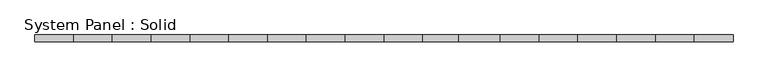
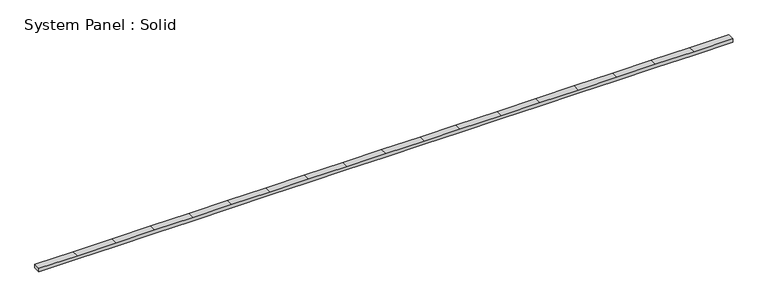
"""IFC4 building model written with IfcOpenShell, lengths in millimetres: plate geometry, System Panel : Solid."""

import ifcopenshell
import ifcopenshell.guid

model = None  # the IFC model being written
_history = None  # IfcOwnerHistory: only IFC2X3 demands one
_inside = {}  # id of a spatial element -> (the spatial element, [elements in it])
_under = {}  # id of a project, library or spatial element -> (it, [spatial elements below it])
_declared = {}  # id of a project -> (the project, [libraries it declares])
_typed = {}  # id of a type object -> (the type object, [elements of that type])
_made_of = {}  # id of a material, layer set ... -> (it, [elements and type objects made of it])


def new_model(schema):
    """Start an empty IFC model of exactly this schema.

    Asked for "IFC4X3", IfcOpenShell would pick the latest addendum, in which some entities
    have other attributes; the version numbers below select the first issue.
    IFC2X3 requires an IfcOwnerHistory on every rooted entity: one is made here for all.
    """
    global model, _history
    if schema == "IFC4X3":
        model = ifcopenshell.file(schema_version=(4, 3, 0, 0))
    else:
        model = ifcopenshell.file(schema=schema)
    _inside.clear()
    _under.clear()
    _declared.clear()
    _typed.clear()
    _made_of.clear()
    _history = None
    if model.schema == "IFC2X3":
        org = make("IfcOrganization", Name="unknown")
        user = make(
            "IfcPersonAndOrganization",
            ThePerson=make("IfcPerson", FamilyName="unknown"),
            TheOrganization=org,
        )
        app = make(
            "IfcApplication",
            ApplicationDeveloper=org,
            Version="unknown",
            ApplicationFullName="unknown",
            ApplicationIdentifier="unknown",
        )
        _history = make(
            "IfcOwnerHistory",
            OwningUser=user,
            OwningApplication=app,
            ChangeAction="ADDED",
            CreationDate=0,
        )
    return model


def make(cls, **values):
    """One entity of the class cls with the attributes given. An attribute that is None is left unset."""
    return model.create_entity(
        cls, **{name: value for name, value in values.items() if value is not None}
    )


def rooted(cls, **values):
    """An entity with a GlobalId (a new one), such as an element, a storey or a relation."""
    return make(cls, GlobalId=ifcopenshell.guid.new(), OwnerHistory=_history, **values)


def si_unit(unit_type, name, prefix=None):
    """IfcSIUnit, for example si_unit("LENGTHUNIT", "METRE", prefix="MILLI")."""
    return make("IfcSIUnit", UnitType=unit_type, Prefix=prefix, Name=name)


def assignment(units):
    """IfcUnitAssignment: the units of a project."""
    return None if units is None else make("IfcUnitAssignment", Units=units)


def point(xyz):
    """IfcCartesianPoint."""
    return None if xyz is None else make("IfcCartesianPoint", Coordinates=xyz)


def direction(xyz):
    """IfcDirection."""
    return None if xyz is None else make("IfcDirection", DirectionRatios=xyz)


def frame(location, z_axis=None, x_axis=None):
    """IfcAxis2Placement3D, a coordinate frame: its origin and axes. An axis left out is left unset."""
    return make(
        "IfcAxis2Placement3D",
        Location=point(location),
        Axis=direction(z_axis),
        RefDirection=direction(x_axis),
    )


def origin():
    """The frame at (0, 0, 0) with its axes left unset."""
    return frame((0.0, 0.0, 0.0))


def place(relative_to, where):
    """IfcLocalPlacement: puts the frame where relative to a parent placement (None: the world)."""
    return make(
        "IfcLocalPlacement", PlacementRelTo=relative_to, RelativePlacement=where
    )


def context(
    kind, dimensions, precision=None, world=None, true_north=None, identifier=None
):
    """IfcGeometricRepresentationContext, for example the 3D "Model" context."""
    return make(
        "IfcGeometricRepresentationContext",
        ContextIdentifier=identifier,
        ContextType=kind,
        CoordinateSpaceDimension=dimensions,
        Precision=precision,
        WorldCoordinateSystem=world,
        TrueNorth=true_north,
    )


def project(units=None, contexts=None):
    """IfcProject with its units and contexts."""
    return rooted(
        "IfcProject",
        Name="project",
        RepresentationContexts=contexts,
        UnitsInContext=assignment(units),
    )


def spatial(cls, under=None, at=None, **own):
    """A site, building, storey or space (cls), placed at a placement, below another one or the project."""
    s = rooted(cls, ObjectPlacement=at, **own)
    if under is not None:
        _under.setdefault(under.id(), (under, []))[1].append(s)
    return s


def polyline(points):
    """IfcPolyline through the points."""
    return make("IfcPolyline", Points=[point(p) for p in points])


def outline(outer, holes=None, kind="AREA"):
    """IfcArbitraryClosedProfileDef: a profile drawn as a closed curve; with holes, ...WithVoids."""
    if holes is None:
        return make("IfcArbitraryClosedProfileDef", ProfileType=kind, OuterCurve=outer)
    return make(
        "IfcArbitraryProfileDefWithVoids",
        ProfileType=kind,
        OuterCurve=outer,
        InnerCurves=holes,
    )


def extrude(swept, where, along, depth):
    """IfcExtrudedAreaSolid: the profile swept, set in the frame where, extruded along a direction by depth."""
    return make(
        "IfcExtrudedAreaSolid",
        SweptArea=swept,
        Position=where,
        ExtrudedDirection=direction(along),
        Depth=depth,
    )


def shape(context_of_items, identifier, shape_type, items):
    """IfcShapeRepresentation: the items that make up one representation, for example the "Body"."""
    return make(
        "IfcShapeRepresentation",
        ContextOfItems=context_of_items,
        RepresentationIdentifier=identifier,
        RepresentationType=shape_type,
        Items=items,
    )


def source(mapping_origin, context_of_items, identifier, shape_type, items):
    """IfcRepresentationMap: a shape defined once, which mapped items show again and again."""
    return make(
        "IfcRepresentationMap",
        MappingOrigin=mapping_origin,
        MappedRepresentation=shape(context_of_items, identifier, shape_type, items),
    )


def transform(
    local_origin,
    x_axis=None,
    y_axis=None,
    z_axis=None,
    scale=None,
    scale2=None,
    scale3=None,
    uniform=True,
):
    """IfcCartesianTransformationOperator3D, or its non-uniform kind. x_axis, y_axis, z_axis: its Axis1, 2, 3."""
    if uniform:
        return make(
            "IfcCartesianTransformationOperator3D",
            Axis1=direction(x_axis),
            Axis2=direction(y_axis),
            LocalOrigin=point(local_origin),
            Scale=scale,
            Axis3=direction(z_axis),
        )
    return make(
        "IfcCartesianTransformationOperator3DnonUniform",
        Axis1=direction(x_axis),
        Axis2=direction(y_axis),
        LocalOrigin=point(local_origin),
        Scale=scale,
        Axis3=direction(z_axis),
        Scale2=scale2,
        Scale3=scale3,
    )


def mapped(mapping_source, mapping_target):
    """IfcMappedItem: shows the shape of a source again, moved by a transform."""
    return make(
        "IfcMappedItem", MappingSource=mapping_source, MappingTarget=mapping_target
    )


def made_of(thing, what):
    """Note that an element or type object is made of a material, layer set ...; save() writes the relation."""
    if what is not None:
        _made_of.setdefault(what.id(), (what, []))[1].append(thing)
    return thing


def element(
    cls,
    number,
    at=None,
    inside=None,
    cuts=None,
    type_object=None,
    material=None,
    context=None,
    identifier="Body",
    shape_type=None,
    held_by="IfcProductDefinitionShape",
    body=None,
    shapes=None,
    **own,
):
    """One element of the class cls, such as IfcWall. Its Tag is "e" and its number.

    at: its placement. inside: the storey or other place that contains it. cuts: it is an
    opening in that element (IfcRelVoidsElement). A single representation is given by context,
    identifier, shape_type and body (its items); several are given by shapes. held_by: the class
    of the entity that holds the representations. save() writes the other relations.
    """
    e = rooted(cls, Tag="e%d" % number, ObjectPlacement=at, **own)
    if body is not None:
        shapes = [shape(context, identifier, shape_type, body)]
    if shapes is not None:
        e.Representation = make(held_by, Representations=shapes)
    if inside is not None:
        _inside.setdefault(inside.id(), (inside, []))[1].append(e)
    if cuts is not None:
        rooted(
            "IfcRelVoidsElement", RelatingBuildingElement=cuts, RelatedOpeningElement=e
        )
    if type_object is not None:
        _typed.setdefault(type_object.id(), (type_object, []))[1].append(e)
    return made_of(e, material)


def aggregate(whole, parts):
    """IfcRelAggregates: a whole, such as a stair, and the parts it consists of."""
    return rooted("IfcRelAggregates", RelatingObject=whole, RelatedObjects=parts)


def save(model, path):
    """Write the relations noted so far, then the file.

    IfcRelAggregates (storeys below a building ...), IfcRelContainedInSpatialStructure (elements
    in a storey), IfcRelDefinesByType, IfcRelAssociatesMaterial and IfcRelDeclares: one each for
    every whole, place, type object, material and project.
    """
    for whole, parts in _under.values():
        aggregate(whole, parts)
    for where, things in _inside.values():
        rooted(
            "IfcRelContainedInSpatialStructure",
            RelatedElements=things,
            RelatingStructure=where,
        )
    for kind, things in _typed.values():
        rooted("IfcRelDefinesByType", RelatedObjects=things, RelatingType=kind)
    for what, things in _made_of.values():
        rooted("IfcRelAssociatesMaterial", RelatedObjects=things, RelatingMaterial=what)
    for by, libraries in _declared.values():
        rooted("IfcRelDeclares", RelatingContext=by, RelatedDefinitions=libraries)
    model.write(path)


def system_panel_solid_0d85270d(model_context):
    return source(origin(), model_context, "Body", "SweptSolid", [
        extrude(outline(polyline([(0.0, -4950.0000002), (0.0, -4399.9999998), (0.0, -3849.9999998), (0.0, -3299.9999998), (0.0, -2749.9999998), (0.0, -2199.9999998), (0.0, -1649.9999998), (0.0, -1099.9999998), (0.0, -549.9999998), (0.0, 2e-07), (0.0, 550.0000002), (0.0, 1060.0000002), (0.0, 1650.0000002), (0.0, 2200.0000002), (0.0, 2750.0000002), (0.0, 3300.0000002), (0.0, 3850.0000002), (0.0, 4400.0000002), (0.0, 4950.0000002), (50.0, 4950.0000002), (50.0, 4400.0000002), (50.0, 3850.0000002), (50.0, 3300.0000002), (50.0, 2750.0000002), (50.0, 2200.0000002), (50.0, 1650.0000002), (50.0, 1060.0000002), (50.0, 550.0000002), (50.0, 2e-07), (50.0, -549.9999998), (50.0, -1099.9999998), (50.0, -1649.9999998), (50.0, -2199.9999998), (50.0, -2749.9999998), (50.0, -3299.9999998), (50.0, -3849.9999998), (50.0, -4399.9999998), (50.0, -4950.0000002), (0.0, -4950.0000002)])), frame((0.0, 50.0, 0.0), z_axis=(0.0, 1.0, 0.0), x_axis=(0.0, 0.0, 1.0)), (0.0, 0.0, 1.0), 100.0),
    ])


if __name__ == "__main__":
    model = new_model("IFC4")
    model_context = context("Model", 3, world=origin())
    ifc_project = project(units=[si_unit("LENGTHUNIT", "METRE", prefix="MILLI")], contexts=[model_context])
    site = spatial("IfcSite", under=ifc_project)
    building = spatial("IfcBuilding", under=site)
    placement = place(None, origin())
    system_panel_solid_shape = system_panel_solid_0d85270d(model_context)
    element("IfcPlate", 1, ObjectType="System Panel : Solid", at=placement, inside=building, context=model_context, shape_type="MappedRepresentation", body=[
        mapped(system_panel_solid_shape, transform((0.0, 0.0, 0.0), x_axis=(1.0, 0.0, 0.0), y_axis=(0.0, 1.0, 0.0), z_axis=(0.0, 0.0, 1.0))),
    ])
    save(model, "model.ifc")
